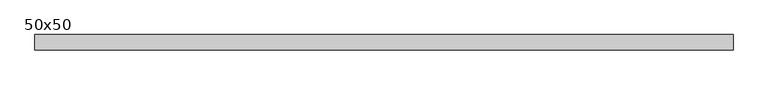
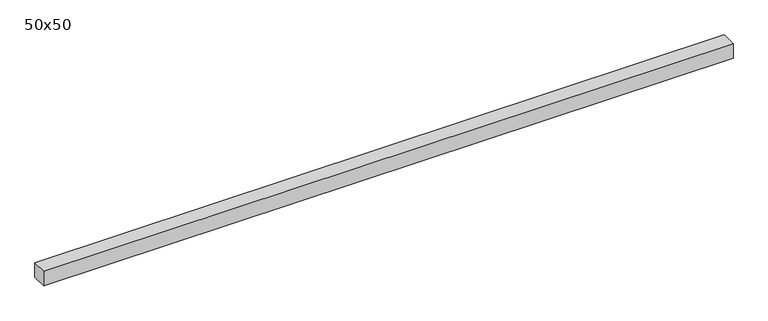
"""IFC4 building model written with IfcOpenShell, lengths in millimetres: beam geometry, 50x50."""

from ifc_helpers import new_model, si_unit, frame, origin, place, context, project, spatial, polyline, outline, extrude, source, transform, mapped, element, save


def beam_50x50_17884bab(model_context):
    return source(origin(), model_context, "Body", "SweptSolid", [
        extrude(outline(polyline([(1125.0, 25.0), (1125.0, -25.0), (-1125.0, -25.0), (-1125.0, 25.0), (1125.0, 25.0)])), frame((0.0, 0.0, -25.0), z_axis=(0.0, 0.0, 1.0), x_axis=(1.0, 0.0, 0.0)), (0.0, 0.0, 1.0), 50.0),
    ])


if __name__ == "__main__":
    model = new_model("IFC4")
    model_context = context("Model", 3, world=origin())
    ifc_project = project(units=[si_unit("LENGTHUNIT", "METRE", prefix="MILLI")], contexts=[model_context])
    site = spatial("IfcSite", under=ifc_project)
    building = spatial("IfcBuilding", under=site)
    placement = place(None, origin())
    beam_50x50_shape = beam_50x50_17884bab(model_context)
    element("IfcBeam", 1, ObjectType="50x50", at=placement, inside=building, context=model_context, shape_type="MappedRepresentation", body=[
        mapped(beam_50x50_shape, transform((0.0, 0.0, 0.0), x_axis=(1.0, 0.0, 0.0), y_axis=(0.0, 1.0, 0.0), z_axis=(0.0, 0.0, 1.0))),
    ])
    save(model, "model.ifc")
